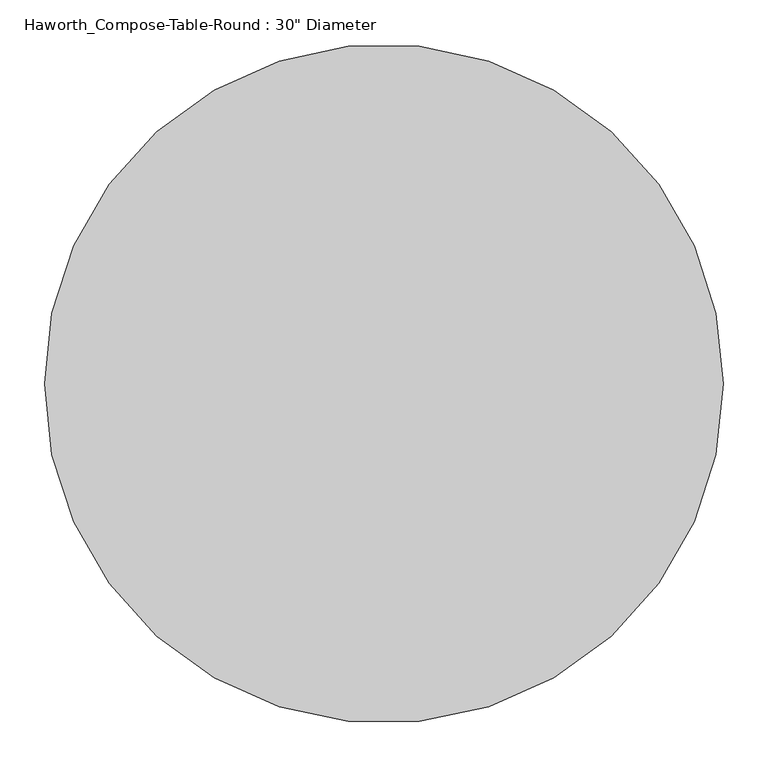
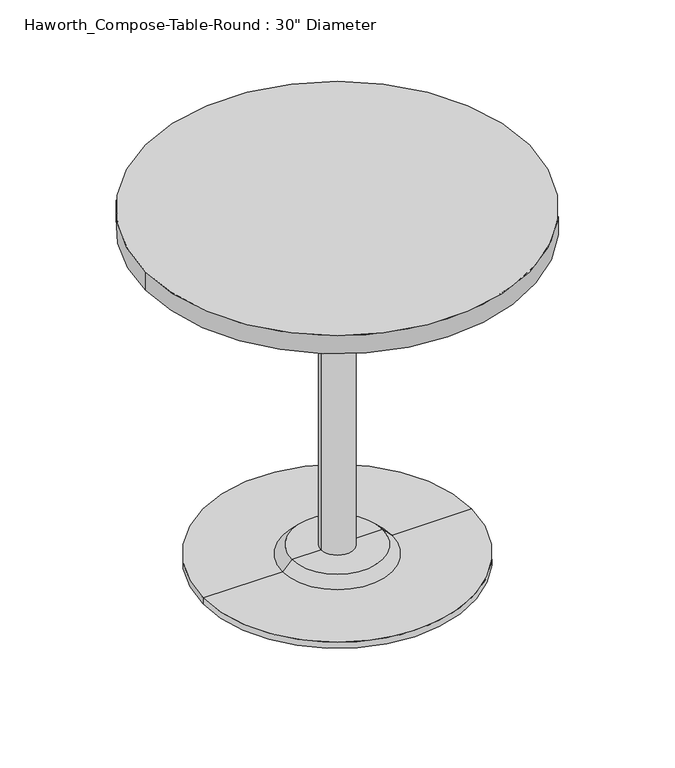
"""IFC4 building model written with IfcOpenShell, lengths in millimetres: furniture geometry."""

from ifc_helpers import new_model, si_unit, point, frame, frame_2d, origin, place, context, project, spatial, polyline, circle_curve, trimmed, segment, composite_curve, outline, extrude, source, transform, mapped, element, save
from ifc_brep_helpers import plane_surface, cylinder_surface, revolved_surface, advanced_brep


def furniture_a40797e7(model_context):
    return source(origin(), model_context, "Body", "SolidModel", [
        advanced_brep(
        [(32.573978, 139.7, 698.5), (-32.573978, 139.7, 698.5), (0.0, 139.7, 698.5), (32.573978, 139.7, 31.75), (-32.573978, 139.7, 31.75), (89.723978, 139.7, 31.75), (-89.723978, 139.7, 31.75), (266.7, 139.7, 0.0), (-266.7, 139.7, 0.0), (-266.7, 139.7, 12.7), (266.7, 139.7, 12.7), (0.0, 139.7, 0.0), (108.773978, 139.7, 12.7), (-108.773978, 139.7, 12.7)],
        [
            (0, 1, circle_curve(frame((0.0, 139.7, 698.5), z_axis=(0.0, 0.0, 1.0), x_axis=(-1.0, 0.0, 0.0)), 32.573978)),
            (1, 2),
            (2, 0),
            (1, 0, circle_curve(frame((0.0, 139.7, 698.5), z_axis=(0.0, 0.0, 1.0), x_axis=(-1.0, 0.0, 0.0)), 32.573978)),
            (3, 4, circle_curve(frame((0.0, 139.7, 31.75), z_axis=(0.0, 0.0, 1.0), x_axis=(-1.0, 0.0, 0.0)), 32.573978)),
            (4, 1),
            (0, 3),
            (4, 3, circle_curve(frame((0.0, 139.7, 31.75), z_axis=(0.0, 0.0, 1.0), x_axis=(-1.0, 0.0, 0.0)), 32.573978)),
            (5, 6, circle_curve(frame((0.0, 139.7, 31.75), z_axis=(0.0, 0.0, 1.0), x_axis=(-1.0, 0.0, 0.0)), 89.723978)),
            (6, 4),
            (3, 5),
            (6, 5, circle_curve(frame((0.0, 139.7, 31.75), z_axis=(0.0, 0.0, 1.0), x_axis=(-1.0, 0.0, 0.0)), 89.723978)),
            (7, 8, circle_curve(frame((0.0, 139.7, 0.0), z_axis=(0.0, 0.0, 1.0), x_axis=(-1.0, 0.0, 0.0)), 266.7)),
            (8, 9),
            (9, 10, circle_curve(frame((0.0, 139.7, 12.7), z_axis=(0.0, 0.0, -1.0), x_axis=(-1.0, 0.0, 0.0)), 266.7)),
            (10, 7),
            (8, 7, circle_curve(frame((0.0, 139.7, 0.0), z_axis=(0.0, 0.0, 1.0), x_axis=(-1.0, 0.0, 0.0)), 266.7)),
            (10, 9, circle_curve(frame((0.0, 139.7, 12.7), z_axis=(0.0, 0.0, -1.0), x_axis=(-1.0, 0.0, 0.0)), 266.7)),
            (11, 8),
            (7, 11),
            (12, 13, circle_curve(frame((0.0, 139.7, 12.7), z_axis=(0.0, 0.0, 1.0), x_axis=(-1.0, 0.0, 0.0)), 108.773978)),
            (13, 6),
            (5, 12),
            (13, 12, circle_curve(frame((0.0, 139.7, 12.7), z_axis=(0.0, 0.0, 1.0), x_axis=(-1.0, 0.0, 0.0)), 108.773978)),
            (9, 13),
            (12, 10),
        ],
        [
            plane_surface(frame((0.0, 139.7, 698.5), z_axis=(0.0, 0.0, 1.0), x_axis=(-1.0, 0.0, 0.0))),
            cylinder_surface(frame((0.0, 139.7, 881.685757), z_axis=(0.0, 0.0, -1.0), x_axis=(-1.0, 0.0, 0.0)), 32.573978),
            plane_surface(frame((0.0, 139.7, 31.75), z_axis=(0.0, 0.0, 1.0), x_axis=(-1.0, 0.0, 0.0))),
            cylinder_surface(frame((0.0, 139.7, 881.685757), z_axis=(0.0, 0.0, -1.0), x_axis=(-1.0, 0.0, 0.0)), 266.7),
            plane_surface(frame((0.0, 139.7, 0.0), z_axis=(0.0, 0.0, -1.0), x_axis=(-1.0, 0.0, 0.0))),
            revolved_surface(polyline([(-89.723978, 139.7, 31.75), (-108.773978, 139.7, 12.7)]), (0.0, 139.7, 881.685757), (0.0, 0.0, -1.0)),
            plane_surface(frame((0.0, 139.7, 12.7), z_axis=(0.0, 0.0, 1.0), x_axis=(-1.0, 0.0, 0.0))),
        ],
        [
            (0, [[1, 2, 3]]),
            (0, [[4, -3, -2]]),
            (1, [[5, 6, -1, 7]]),
            (1, [[8, -7, -4, -6]]),
            (2, [[9, 10, -5, 11]]),
            (2, [[12, -11, -8, -10]]),
            (3, [[13, 14, 15, 16]]),
            (3, [[17, -16, 18, -14]]),
            (4, [[19, -13, 20]]),
            (4, [[-20, -17, -19]]),
            (5, [[21, 22, -9, 23]]),
            (5, [[24, -23, -12, -22]]),
            (6, [[-15, 25, -21, 26]]),
            (6, [[-18, -26, -24, -25]]),
        ],
    ),
        extrude(outline(composite_curve([segment(trimmed(circle_curve(frame_2d((0.0, 139.7)), 381.0), [point((-381.0, 139.7))], [point((381.0, 139.7))], False, "CARTESIAN"), True, "CONTINUOUS"), segment(trimmed(circle_curve(frame_2d((0.0, 139.7)), 381.0), [point((381.0, 139.7))], [point((-381.0, 139.7))], False, "CARTESIAN"), True, "CONTINUOUS")], self_intersect=False)), frame((0.0, 0.0, 698.5), z_axis=(0.0, 0.0, 1.0), x_axis=(1.0, 0.0, 0.0)), (0.0, 0.0, 1.0), 38.1),
    ])


if __name__ == "__main__":
    model = new_model("IFC4")
    model_context = context("Model", 3, world=origin())
    ifc_project = project(units=[si_unit("LENGTHUNIT", "METRE", prefix="MILLI")], contexts=[model_context])
    site = spatial("IfcSite", under=ifc_project)
    building = spatial("IfcBuilding", under=site)
    placement = place(None, origin())
    furniture_shape = furniture_a40797e7(model_context)
    element("IfcFurniture", 1, ObjectType="Haworth_Compose-Table-Round : 30\" Diameter", at=placement, inside=building, context=model_context, shape_type="MappedRepresentation", body=[
        mapped(furniture_shape, transform((0.0, 0.0, 0.0), x_axis=(1.0, 0.0, 0.0), y_axis=(0.0, 1.0, 0.0), z_axis=(0.0, 0.0, 1.0))),
    ])
    save(model, "model.ifc")
